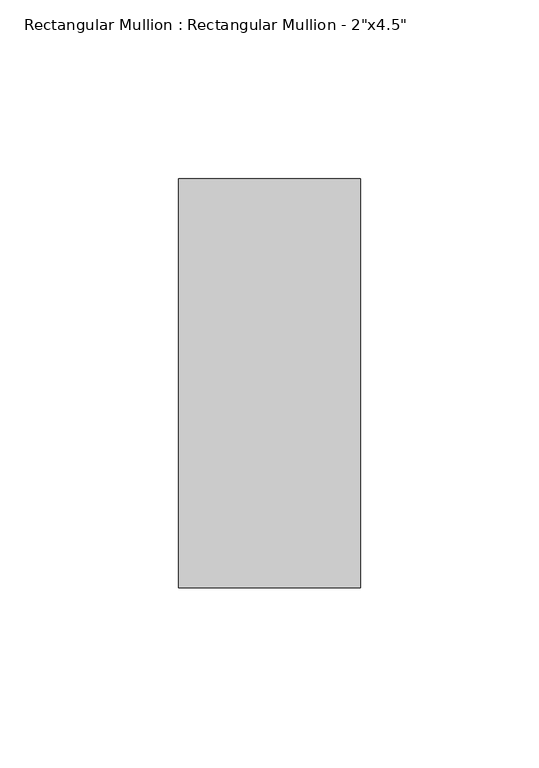
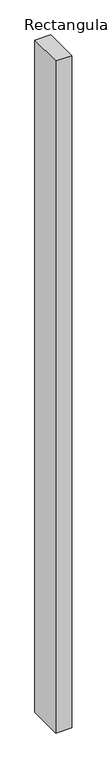
"""IFC4 building model written with IfcOpenShell, lengths in millimetres: member geometry."""

from ifc_helpers import new_model, si_unit, frame, origin, place, context, project, spatial, polyline, outline, extrude, source, transform, mapped, element, save


def member_27d7a871(model_context):
    return source(origin(), model_context, "Body", "SweptSolid", [
        extrude(outline(polyline([(25.4, 57.15), (25.4, -57.15), (-25.4, -57.15), (-25.4, 57.15), (25.4, 57.15)])), frame((0.0, 0.0, -2263.0423077), z_axis=(0.0, 0.0, 1.0), x_axis=(1.0, 0.0, 0.0)), (0.0, 0.0, 1.0), 2263.0423077),
    ])


if __name__ == "__main__":
    model = new_model("IFC4")
    model_context = context("Model", 3, world=origin())
    ifc_project = project(units=[si_unit("LENGTHUNIT", "METRE", prefix="MILLI")], contexts=[model_context])
    site = spatial("IfcSite", under=ifc_project)
    building = spatial("IfcBuilding", under=site)
    placement = place(None, origin())
    member_shape = member_27d7a871(model_context)
    element("IfcMember", 1, ObjectType="Rectangular Mullion : Rectangular Mullion - 2\"x4.5\"", at=placement, inside=building, context=model_context, shape_type="MappedRepresentation", body=[
        mapped(member_shape, transform((0.0, 0.0, 0.0), x_axis=(1.0, 0.0, 0.0), y_axis=(0.0, 1.0, 0.0), z_axis=(0.0, 0.0, 1.0))),
    ])
    save(model, "model.ifc")
